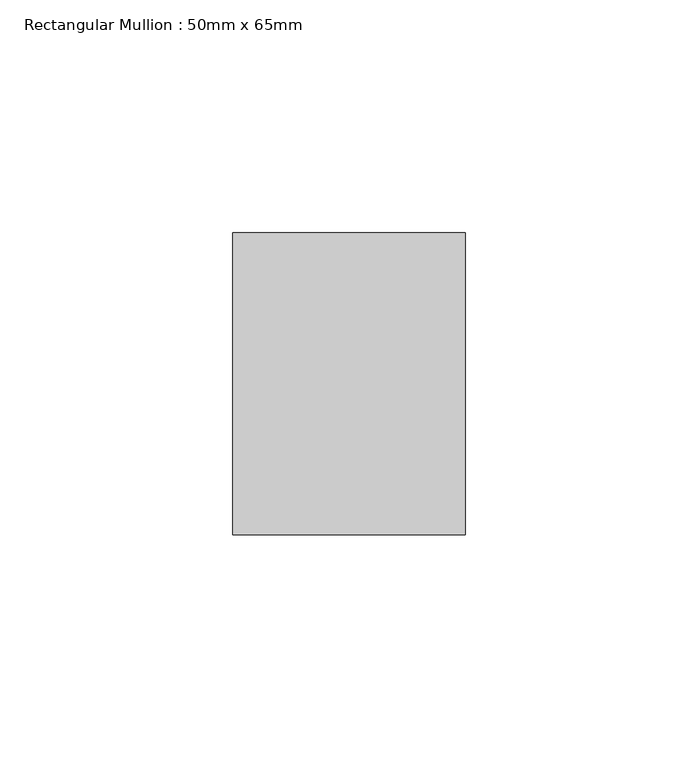
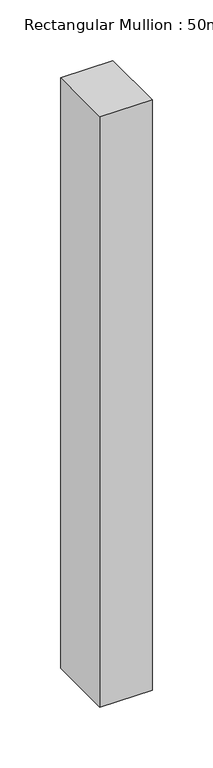
"""IFC4 building model written with IfcOpenShell, lengths in millimetres: member geometry, Rectangular Mullion : 50mm x 65mm."""

import ifcopenshell
import ifcopenshell.guid

model = None  # the IFC model being written
_history = None  # IfcOwnerHistory: only IFC2X3 demands one
_inside = {}  # id of a spatial element -> (the spatial element, [elements in it])
_under = {}  # id of a project, library or spatial element -> (it, [spatial elements below it])
_declared = {}  # id of a project -> (the project, [libraries it declares])
_typed = {}  # id of a type object -> (the type object, [elements of that type])
_made_of = {}  # id of a material, layer set ... -> (it, [elements and type objects made of it])


def new_model(schema):
    """Start an empty IFC model of exactly this schema.

    Asked for "IFC4X3", IfcOpenShell would pick the latest addendum, in which some entities
    have other attributes; the version numbers below select the first issue.
    IFC2X3 requires an IfcOwnerHistory on every rooted entity: one is made here for all.
    """
    global model, _history
    if schema == "IFC4X3":
        model = ifcopenshell.file(schema_version=(4, 3, 0, 0))
    else:
        model = ifcopenshell.file(schema=schema)
    _inside.clear()
    _under.clear()
    _declared.clear()
    _typed.clear()
    _made_of.clear()
    _history = None
    if model.schema == "IFC2X3":
        org = make("IfcOrganization", Name="unknown")
        user = make(
            "IfcPersonAndOrganization",
            ThePerson=make("IfcPerson", FamilyName="unknown"),
            TheOrganization=org,
        )
        app = make(
            "IfcApplication",
            ApplicationDeveloper=org,
            Version="unknown",
            ApplicationFullName="unknown",
            ApplicationIdentifier="unknown",
        )
        _history = make(
            "IfcOwnerHistory",
            OwningUser=user,
            OwningApplication=app,
            ChangeAction="ADDED",
            CreationDate=0,
        )
    return model


def make(cls, **values):
    """One entity of the class cls with the attributes given. An attribute that is None is left unset."""
    return model.create_entity(
        cls, **{name: value for name, value in values.items() if value is not None}
    )


def rooted(cls, **values):
    """An entity with a GlobalId (a new one), such as an element, a storey or a relation."""
    return make(cls, GlobalId=ifcopenshell.guid.new(), OwnerHistory=_history, **values)


def si_unit(unit_type, name, prefix=None):
    """IfcSIUnit, for example si_unit("LENGTHUNIT", "METRE", prefix="MILLI")."""
    return make("IfcSIUnit", UnitType=unit_type, Prefix=prefix, Name=name)


def assignment(units):
    """IfcUnitAssignment: the units of a project."""
    return None if units is None else make("IfcUnitAssignment", Units=units)


def point(xyz):
    """IfcCartesianPoint."""
    return None if xyz is None else make("IfcCartesianPoint", Coordinates=xyz)


def direction(xyz):
    """IfcDirection."""
    return None if xyz is None else make("IfcDirection", DirectionRatios=xyz)


def frame(location, z_axis=None, x_axis=None):
    """IfcAxis2Placement3D, a coordinate frame: its origin and axes. An axis left out is left unset."""
    return make(
        "IfcAxis2Placement3D",
        Location=point(location),
        Axis=direction(z_axis),
        RefDirection=direction(x_axis),
    )


def origin():
    """The frame at (0, 0, 0) with its axes left unset."""
    return frame((0.0, 0.0, 0.0))


def place(relative_to, where):
    """IfcLocalPlacement: puts the frame where relative to a parent placement (None: the world)."""
    return make(
        "IfcLocalPlacement", PlacementRelTo=relative_to, RelativePlacement=where
    )


def context(
    kind, dimensions, precision=None, world=None, true_north=None, identifier=None
):
    """IfcGeometricRepresentationContext, for example the 3D "Model" context."""
    return make(
        "IfcGeometricRepresentationContext",
        ContextIdentifier=identifier,
        ContextType=kind,
        CoordinateSpaceDimension=dimensions,
        Precision=precision,
        WorldCoordinateSystem=world,
        TrueNorth=true_north,
    )


def project(units=None, contexts=None):
    """IfcProject with its units and contexts."""
    return rooted(
        "IfcProject",
        Name="project",
        RepresentationContexts=contexts,
        UnitsInContext=assignment(units),
    )


def spatial(cls, under=None, at=None, **own):
    """A site, building, storey or space (cls), placed at a placement, below another one or the project."""
    s = rooted(cls, ObjectPlacement=at, **own)
    if under is not None:
        _under.setdefault(under.id(), (under, []))[1].append(s)
    return s


def polyline(points):
    """IfcPolyline through the points."""
    return make("IfcPolyline", Points=[point(p) for p in points])


def outline(outer, holes=None, kind="AREA"):
    """IfcArbitraryClosedProfileDef: a profile drawn as a closed curve; with holes, ...WithVoids."""
    if holes is None:
        return make("IfcArbitraryClosedProfileDef", ProfileType=kind, OuterCurve=outer)
    return make(
        "IfcArbitraryProfileDefWithVoids",
        ProfileType=kind,
        OuterCurve=outer,
        InnerCurves=holes,
    )


def extrude(swept, where, along, depth):
    """IfcExtrudedAreaSolid: the profile swept, set in the frame where, extruded along a direction by depth."""
    return make(
        "IfcExtrudedAreaSolid",
        SweptArea=swept,
        Position=where,
        ExtrudedDirection=direction(along),
        Depth=depth,
    )


def shape(context_of_items, identifier, shape_type, items):
    """IfcShapeRepresentation: the items that make up one representation, for example the "Body"."""
    return make(
        "IfcShapeRepresentation",
        ContextOfItems=context_of_items,
        RepresentationIdentifier=identifier,
        RepresentationType=shape_type,
        Items=items,
    )


def source(mapping_origin, context_of_items, identifier, shape_type, items):
    """IfcRepresentationMap: a shape defined once, which mapped items show again and again."""
    return make(
        "IfcRepresentationMap",
        MappingOrigin=mapping_origin,
        MappedRepresentation=shape(context_of_items, identifier, shape_type, items),
    )


def transform(
    local_origin,
    x_axis=None,
    y_axis=None,
    z_axis=None,
    scale=None,
    scale2=None,
    scale3=None,
    uniform=True,
):
    """IfcCartesianTransformationOperator3D, or its non-uniform kind. x_axis, y_axis, z_axis: its Axis1, 2, 3."""
    if uniform:
        return make(
            "IfcCartesianTransformationOperator3D",
            Axis1=direction(x_axis),
            Axis2=direction(y_axis),
            LocalOrigin=point(local_origin),
            Scale=scale,
            Axis3=direction(z_axis),
        )
    return make(
        "IfcCartesianTransformationOperator3DnonUniform",
        Axis1=direction(x_axis),
        Axis2=direction(y_axis),
        LocalOrigin=point(local_origin),
        Scale=scale,
        Axis3=direction(z_axis),
        Scale2=scale2,
        Scale3=scale3,
    )


def mapped(mapping_source, mapping_target):
    """IfcMappedItem: shows the shape of a source again, moved by a transform."""
    return make(
        "IfcMappedItem", MappingSource=mapping_source, MappingTarget=mapping_target
    )


def made_of(thing, what):
    """Note that an element or type object is made of a material, layer set ...; save() writes the relation."""
    if what is not None:
        _made_of.setdefault(what.id(), (what, []))[1].append(thing)
    return thing


def element(
    cls,
    number,
    at=None,
    inside=None,
    cuts=None,
    type_object=None,
    material=None,
    context=None,
    identifier="Body",
    shape_type=None,
    held_by="IfcProductDefinitionShape",
    body=None,
    shapes=None,
    **own,
):
    """One element of the class cls, such as IfcWall. Its Tag is "e" and its number.

    at: its placement. inside: the storey or other place that contains it. cuts: it is an
    opening in that element (IfcRelVoidsElement). A single representation is given by context,
    identifier, shape_type and body (its items); several are given by shapes. held_by: the class
    of the entity that holds the representations. save() writes the other relations.
    """
    e = rooted(cls, Tag="e%d" % number, ObjectPlacement=at, **own)
    if body is not None:
        shapes = [shape(context, identifier, shape_type, body)]
    if shapes is not None:
        e.Representation = make(held_by, Representations=shapes)
    if inside is not None:
        _inside.setdefault(inside.id(), (inside, []))[1].append(e)
    if cuts is not None:
        rooted(
            "IfcRelVoidsElement", RelatingBuildingElement=cuts, RelatedOpeningElement=e
        )
    if type_object is not None:
        _typed.setdefault(type_object.id(), (type_object, []))[1].append(e)
    return made_of(e, material)


def aggregate(whole, parts):
    """IfcRelAggregates: a whole, such as a stair, and the parts it consists of."""
    return rooted("IfcRelAggregates", RelatingObject=whole, RelatedObjects=parts)


def save(model, path):
    """Write the relations noted so far, then the file.

    IfcRelAggregates (storeys below a building ...), IfcRelContainedInSpatialStructure (elements
    in a storey), IfcRelDefinesByType, IfcRelAssociatesMaterial and IfcRelDeclares: one each for
    every whole, place, type object, material and project.
    """
    for whole, parts in _under.values():
        aggregate(whole, parts)
    for where, things in _inside.values():
        rooted(
            "IfcRelContainedInSpatialStructure",
            RelatedElements=things,
            RelatingStructure=where,
        )
    for kind, things in _typed.values():
        rooted("IfcRelDefinesByType", RelatedObjects=things, RelatingType=kind)
    for what, things in _made_of.values():
        rooted("IfcRelAssociatesMaterial", RelatedObjects=things, RelatingMaterial=what)
    for by, libraries in _declared.values():
        rooted("IfcRelDeclares", RelatingContext=by, RelatedDefinitions=libraries)
    model.write(path)


def rectangular_mullion_50mm_x_65mm_37265e4a(model_context):
    return source(origin(), model_context, "Body", "SweptSolid", [
        extrude(outline(polyline([(25.0, 32.5), (25.0, -32.5), (-25.0, -32.5), (-25.0, 32.5), (25.0, 32.5)])), frame((0.0, 0.0, -595.7759217), z_axis=(0.0, 0.0, 1.0), x_axis=(1.0, 0.0, 0.0)), (0.0, 0.0, 1.0), 595.7759217),
    ])


if __name__ == "__main__":
    model = new_model("IFC4")
    model_context = context("Model", 3, world=origin())
    ifc_project = project(units=[si_unit("LENGTHUNIT", "METRE", prefix="MILLI")], contexts=[model_context])
    site = spatial("IfcSite", under=ifc_project)
    building = spatial("IfcBuilding", under=site)
    placement = place(None, origin())
    rectangular_mullion_50mm_x_65mm_shape = rectangular_mullion_50mm_x_65mm_37265e4a(model_context)
    element("IfcMember", 1, ObjectType="Rectangular Mullion : 50mm x 65mm", at=placement, inside=building, context=model_context, shape_type="MappedRepresentation", body=[
        mapped(rectangular_mullion_50mm_x_65mm_shape, transform((0.0, 0.0, 0.0), x_axis=(1.0, 0.0, 0.0), y_axis=(0.0, 1.0, 0.0), z_axis=(0.0, 0.0, 1.0))),
    ])
    save(model, "model.ifc")
